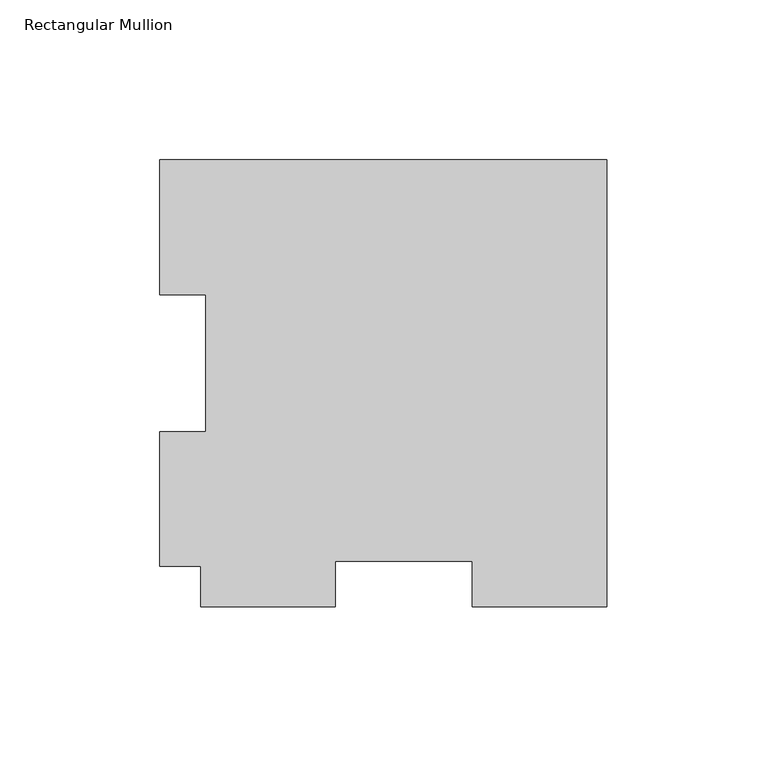
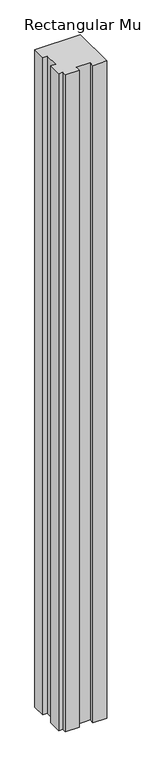
"""IFC4 building model written with IfcOpenShell, lengths in millimetres: member geometry, Rectangular Mullion."""

from ifc_helpers import new_model, si_unit, frame, origin, place, context, project, spatial, polyline, outline, extrude, source, transform, mapped, element, save


def rectangular_mullion_fc1cdab8(model_context):
    return source(origin(), model_context, "Body", "SweptSolid", [
        extrude(outline(polyline([(-139.7, 126.7086938), (0.0, 126.7086938), (0.0, -12.9913062), (-42.0751, -12.9913062), (-42.0751, 1.2961938), (-84.9249, 1.2961938), (-84.9249, -12.9913062), (-127.0, -12.9913062), (-127.0, -0.2913062), (-139.7, -0.2913062), (-139.7, 41.7837938), (-125.4125, 41.7837938), (-125.4125, 84.6335938), (-139.7, 84.6335938), (-139.7, 126.7086938)])), frame((0.0, 0.0, -2133.6), z_axis=(0.0, 0.0, 1.0), x_axis=(1.0, 0.0, 0.0)), (0.0, 0.0, 1.0), 2133.6),
    ])


if __name__ == "__main__":
    model = new_model("IFC4")
    model_context = context("Model", 3, world=origin())
    ifc_project = project(units=[si_unit("LENGTHUNIT", "METRE", prefix="MILLI")], contexts=[model_context])
    site = spatial("IfcSite", under=ifc_project)
    building = spatial("IfcBuilding", under=site)
    placement = place(None, origin())
    rectangular_mullion_shape = rectangular_mullion_fc1cdab8(model_context)
    element("IfcMember", 1, ObjectType="Rectangular Mullion", at=placement, inside=building, context=model_context, shape_type="MappedRepresentation", body=[
        mapped(rectangular_mullion_shape, transform((0.0, 0.0, 0.0), x_axis=(1.0, 0.0, 0.0), y_axis=(0.0, 1.0, 0.0), z_axis=(0.0, 0.0, 1.0))),
    ])
    save(model, "model.ifc")
